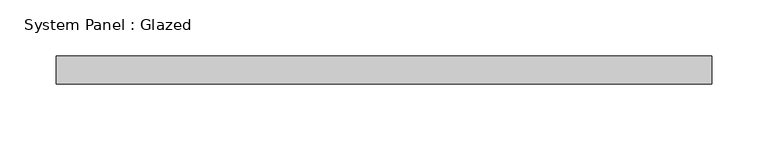
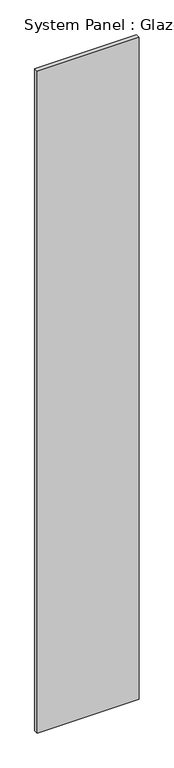
"""IFC4 building model written with IfcOpenShell, lengths in millimetres: plate geometry, System Panel : Glazed."""

import ifcopenshell
import ifcopenshell.guid

model = None  # the IFC model being written
_history = None  # IfcOwnerHistory: only IFC2X3 demands one
_inside = {}  # id of a spatial element -> (the spatial element, [elements in it])
_under = {}  # id of a project, library or spatial element -> (it, [spatial elements below it])
_declared = {}  # id of a project -> (the project, [libraries it declares])
_typed = {}  # id of a type object -> (the type object, [elements of that type])
_made_of = {}  # id of a material, layer set ... -> (it, [elements and type objects made of it])


def new_model(schema):
    """Start an empty IFC model of exactly this schema.

    Asked for "IFC4X3", IfcOpenShell would pick the latest addendum, in which some entities
    have other attributes; the version numbers below select the first issue.
    IFC2X3 requires an IfcOwnerHistory on every rooted entity: one is made here for all.
    """
    global model, _history
    if schema == "IFC4X3":
        model = ifcopenshell.file(schema_version=(4, 3, 0, 0))
    else:
        model = ifcopenshell.file(schema=schema)
    _inside.clear()
    _under.clear()
    _declared.clear()
    _typed.clear()
    _made_of.clear()
    _history = None
    if model.schema == "IFC2X3":
        org = make("IfcOrganization", Name="unknown")
        user = make(
            "IfcPersonAndOrganization",
            ThePerson=make("IfcPerson", FamilyName="unknown"),
            TheOrganization=org,
        )
        app = make(
            "IfcApplication",
            ApplicationDeveloper=org,
            Version="unknown",
            ApplicationFullName="unknown",
            ApplicationIdentifier="unknown",
        )
        _history = make(
            "IfcOwnerHistory",
            OwningUser=user,
            OwningApplication=app,
            ChangeAction="ADDED",
            CreationDate=0,
        )
    return model


def make(cls, **values):
    """One entity of the class cls with the attributes given. An attribute that is None is left unset."""
    return model.create_entity(
        cls, **{name: value for name, value in values.items() if value is not None}
    )


def rooted(cls, **values):
    """An entity with a GlobalId (a new one), such as an element, a storey or a relation."""
    return make(cls, GlobalId=ifcopenshell.guid.new(), OwnerHistory=_history, **values)


def si_unit(unit_type, name, prefix=None):
    """IfcSIUnit, for example si_unit("LENGTHUNIT", "METRE", prefix="MILLI")."""
    return make("IfcSIUnit", UnitType=unit_type, Prefix=prefix, Name=name)


def assignment(units):
    """IfcUnitAssignment: the units of a project."""
    return None if units is None else make("IfcUnitAssignment", Units=units)


def point(xyz):
    """IfcCartesianPoint."""
    return None if xyz is None else make("IfcCartesianPoint", Coordinates=xyz)


def direction(xyz):
    """IfcDirection."""
    return None if xyz is None else make("IfcDirection", DirectionRatios=xyz)


def frame(location, z_axis=None, x_axis=None):
    """IfcAxis2Placement3D, a coordinate frame: its origin and axes. An axis left out is left unset."""
    return make(
        "IfcAxis2Placement3D",
        Location=point(location),
        Axis=direction(z_axis),
        RefDirection=direction(x_axis),
    )


def origin():
    """The frame at (0, 0, 0) with its axes left unset."""
    return frame((0.0, 0.0, 0.0))


def origin_with_axes():
    """The frame at (0, 0, 0) with the z axis (0, 0, 1) and the x axis (1, 0, 0) written out."""
    return frame((0.0, 0.0, 0.0), z_axis=(0.0, 0.0, 1.0), x_axis=(1.0, 0.0, 0.0))


def place(relative_to, where):
    """IfcLocalPlacement: puts the frame where relative to a parent placement (None: the world)."""
    return make(
        "IfcLocalPlacement", PlacementRelTo=relative_to, RelativePlacement=where
    )


def context(
    kind, dimensions, precision=None, world=None, true_north=None, identifier=None
):
    """IfcGeometricRepresentationContext, for example the 3D "Model" context."""
    return make(
        "IfcGeometricRepresentationContext",
        ContextIdentifier=identifier,
        ContextType=kind,
        CoordinateSpaceDimension=dimensions,
        Precision=precision,
        WorldCoordinateSystem=world,
        TrueNorth=true_north,
    )


def project(units=None, contexts=None):
    """IfcProject with its units and contexts."""
    return rooted(
        "IfcProject",
        Name="project",
        RepresentationContexts=contexts,
        UnitsInContext=assignment(units),
    )


def spatial(cls, under=None, at=None, **own):
    """A site, building, storey or space (cls), placed at a placement, below another one or the project."""
    s = rooted(cls, ObjectPlacement=at, **own)
    if under is not None:
        _under.setdefault(under.id(), (under, []))[1].append(s)
    return s


def polyline(points):
    """IfcPolyline through the points."""
    return make("IfcPolyline", Points=[point(p) for p in points])


def outline(outer, holes=None, kind="AREA"):
    """IfcArbitraryClosedProfileDef: a profile drawn as a closed curve; with holes, ...WithVoids."""
    if holes is None:
        return make("IfcArbitraryClosedProfileDef", ProfileType=kind, OuterCurve=outer)
    return make(
        "IfcArbitraryProfileDefWithVoids",
        ProfileType=kind,
        OuterCurve=outer,
        InnerCurves=holes,
    )


def extrude(swept, where, along, depth):
    """IfcExtrudedAreaSolid: the profile swept, set in the frame where, extruded along a direction by depth."""
    return make(
        "IfcExtrudedAreaSolid",
        SweptArea=swept,
        Position=where,
        ExtrudedDirection=direction(along),
        Depth=depth,
    )


def shape(context_of_items, identifier, shape_type, items):
    """IfcShapeRepresentation: the items that make up one representation, for example the "Body"."""
    return make(
        "IfcShapeRepresentation",
        ContextOfItems=context_of_items,
        RepresentationIdentifier=identifier,
        RepresentationType=shape_type,
        Items=items,
    )


def source(mapping_origin, context_of_items, identifier, shape_type, items):
    """IfcRepresentationMap: a shape defined once, which mapped items show again and again."""
    return make(
        "IfcRepresentationMap",
        MappingOrigin=mapping_origin,
        MappedRepresentation=shape(context_of_items, identifier, shape_type, items),
    )


def transform(
    local_origin,
    x_axis=None,
    y_axis=None,
    z_axis=None,
    scale=None,
    scale2=None,
    scale3=None,
    uniform=True,
):
    """IfcCartesianTransformationOperator3D, or its non-uniform kind. x_axis, y_axis, z_axis: its Axis1, 2, 3."""
    if uniform:
        return make(
            "IfcCartesianTransformationOperator3D",
            Axis1=direction(x_axis),
            Axis2=direction(y_axis),
            LocalOrigin=point(local_origin),
            Scale=scale,
            Axis3=direction(z_axis),
        )
    return make(
        "IfcCartesianTransformationOperator3DnonUniform",
        Axis1=direction(x_axis),
        Axis2=direction(y_axis),
        LocalOrigin=point(local_origin),
        Scale=scale,
        Axis3=direction(z_axis),
        Scale2=scale2,
        Scale3=scale3,
    )


def mapped(mapping_source, mapping_target):
    """IfcMappedItem: shows the shape of a source again, moved by a transform."""
    return make(
        "IfcMappedItem", MappingSource=mapping_source, MappingTarget=mapping_target
    )


def made_of(thing, what):
    """Note that an element or type object is made of a material, layer set ...; save() writes the relation."""
    if what is not None:
        _made_of.setdefault(what.id(), (what, []))[1].append(thing)
    return thing


def element(
    cls,
    number,
    at=None,
    inside=None,
    cuts=None,
    type_object=None,
    material=None,
    context=None,
    identifier="Body",
    shape_type=None,
    held_by="IfcProductDefinitionShape",
    body=None,
    shapes=None,
    **own,
):
    """One element of the class cls, such as IfcWall. Its Tag is "e" and its number.

    at: its placement. inside: the storey or other place that contains it. cuts: it is an
    opening in that element (IfcRelVoidsElement). A single representation is given by context,
    identifier, shape_type and body (its items); several are given by shapes. held_by: the class
    of the entity that holds the representations. save() writes the other relations.
    """
    e = rooted(cls, Tag="e%d" % number, ObjectPlacement=at, **own)
    if body is not None:
        shapes = [shape(context, identifier, shape_type, body)]
    if shapes is not None:
        e.Representation = make(held_by, Representations=shapes)
    if inside is not None:
        _inside.setdefault(inside.id(), (inside, []))[1].append(e)
    if cuts is not None:
        rooted(
            "IfcRelVoidsElement", RelatingBuildingElement=cuts, RelatedOpeningElement=e
        )
    if type_object is not None:
        _typed.setdefault(type_object.id(), (type_object, []))[1].append(e)
    return made_of(e, material)


def aggregate(whole, parts):
    """IfcRelAggregates: a whole, such as a stair, and the parts it consists of."""
    return rooted("IfcRelAggregates", RelatingObject=whole, RelatedObjects=parts)


def save(model, path):
    """Write the relations noted so far, then the file.

    IfcRelAggregates (storeys below a building ...), IfcRelContainedInSpatialStructure (elements
    in a storey), IfcRelDefinesByType, IfcRelAssociatesMaterial and IfcRelDeclares: one each for
    every whole, place, type object, material and project.
    """
    for whole, parts in _under.values():
        aggregate(whole, parts)
    for where, things in _inside.values():
        rooted(
            "IfcRelContainedInSpatialStructure",
            RelatedElements=things,
            RelatingStructure=where,
        )
    for kind, things in _typed.values():
        rooted("IfcRelDefinesByType", RelatedObjects=things, RelatingType=kind)
    for what, things in _made_of.values():
        rooted("IfcRelAssociatesMaterial", RelatedObjects=things, RelatingMaterial=what)
    for by, libraries in _declared.values():
        rooted("IfcRelDeclares", RelatingContext=by, RelatedDefinitions=libraries)
    model.write(path)


def system_panel_glazed_1c24565e(model_context):
    return source(origin(), model_context, "Body", "SweptSolid", [
        extrude(outline(polyline([(291.6666668, 24.5), (-291.6666668, 24.5), (-291.6666668, 49.5), (291.6666668, 49.5), (291.6666668, 24.5)])), origin_with_axes(), (0.0, 0.0, 1.0), 4000.0),
    ])


if __name__ == "__main__":
    model = new_model("IFC4")
    model_context = context("Model", 3, world=origin())
    ifc_project = project(units=[si_unit("LENGTHUNIT", "METRE", prefix="MILLI")], contexts=[model_context])
    site = spatial("IfcSite", under=ifc_project)
    building = spatial("IfcBuilding", under=site)
    placement = place(None, origin())
    system_panel_glazed_shape = system_panel_glazed_1c24565e(model_context)
    element("IfcPlate", 1, ObjectType="System Panel : Glazed", at=placement, inside=building, context=model_context, shape_type="MappedRepresentation", body=[
        mapped(system_panel_glazed_shape, transform((0.0, 0.0, 0.0), x_axis=(1.0, 0.0, 0.0), y_axis=(0.0, 1.0, 0.0), z_axis=(0.0, 0.0, 1.0))),
    ])
    save(model, "model.ifc")
